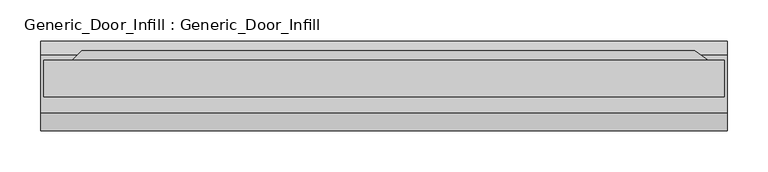
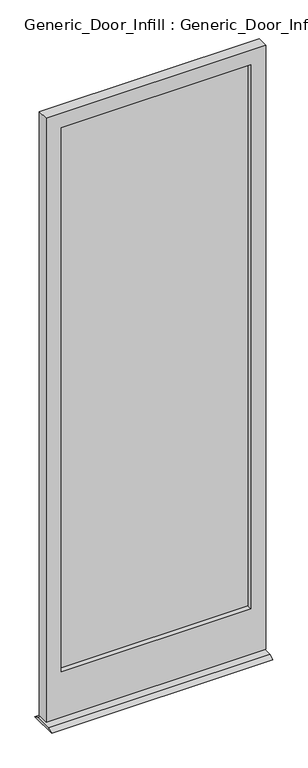
"""IFC4 building model written with IfcOpenShell, lengths in millimetres: plate geometry, Generic_Door_Infill : Generic_Door_Infill."""

import ifcopenshell
import ifcopenshell.guid

model = None  # the IFC model being written
_history = None  # IfcOwnerHistory: only IFC2X3 demands one
_inside = {}  # id of a spatial element -> (the spatial element, [elements in it])
_under = {}  # id of a project, library or spatial element -> (it, [spatial elements below it])
_declared = {}  # id of a project -> (the project, [libraries it declares])
_typed = {}  # id of a type object -> (the type object, [elements of that type])
_made_of = {}  # id of a material, layer set ... -> (it, [elements and type objects made of it])


def new_model(schema):
    """Start an empty IFC model of exactly this schema.

    Asked for "IFC4X3", IfcOpenShell would pick the latest addendum, in which some entities
    have other attributes; the version numbers below select the first issue.
    IFC2X3 requires an IfcOwnerHistory on every rooted entity: one is made here for all.
    """
    global model, _history
    if schema == "IFC4X3":
        model = ifcopenshell.file(schema_version=(4, 3, 0, 0))
    else:
        model = ifcopenshell.file(schema=schema)
    _inside.clear()
    _under.clear()
    _declared.clear()
    _typed.clear()
    _made_of.clear()
    _history = None
    if model.schema == "IFC2X3":
        org = make("IfcOrganization", Name="unknown")
        user = make(
            "IfcPersonAndOrganization",
            ThePerson=make("IfcPerson", FamilyName="unknown"),
            TheOrganization=org,
        )
        app = make(
            "IfcApplication",
            ApplicationDeveloper=org,
            Version="unknown",
            ApplicationFullName="unknown",
            ApplicationIdentifier="unknown",
        )
        _history = make(
            "IfcOwnerHistory",
            OwningUser=user,
            OwningApplication=app,
            ChangeAction="ADDED",
            CreationDate=0,
        )
    return model


def make(cls, **values):
    """One entity of the class cls with the attributes given. An attribute that is None is left unset."""
    return model.create_entity(
        cls, **{name: value for name, value in values.items() if value is not None}
    )


def rooted(cls, **values):
    """An entity with a GlobalId (a new one), such as an element, a storey or a relation."""
    return make(cls, GlobalId=ifcopenshell.guid.new(), OwnerHistory=_history, **values)


def si_unit(unit_type, name, prefix=None):
    """IfcSIUnit, for example si_unit("LENGTHUNIT", "METRE", prefix="MILLI")."""
    return make("IfcSIUnit", UnitType=unit_type, Prefix=prefix, Name=name)


def assignment(units):
    """IfcUnitAssignment: the units of a project."""
    return None if units is None else make("IfcUnitAssignment", Units=units)


def point(xyz):
    """IfcCartesianPoint."""
    return None if xyz is None else make("IfcCartesianPoint", Coordinates=xyz)


def direction(xyz):
    """IfcDirection."""
    return None if xyz is None else make("IfcDirection", DirectionRatios=xyz)


def frame(location, z_axis=None, x_axis=None):
    """IfcAxis2Placement3D, a coordinate frame: its origin and axes. An axis left out is left unset."""
    return make(
        "IfcAxis2Placement3D",
        Location=point(location),
        Axis=direction(z_axis),
        RefDirection=direction(x_axis),
    )


def origin():
    """The frame at (0, 0, 0) with its axes left unset."""
    return frame((0.0, 0.0, 0.0))


def place(relative_to, where):
    """IfcLocalPlacement: puts the frame where relative to a parent placement (None: the world)."""
    return make(
        "IfcLocalPlacement", PlacementRelTo=relative_to, RelativePlacement=where
    )


def context(
    kind, dimensions, precision=None, world=None, true_north=None, identifier=None
):
    """IfcGeometricRepresentationContext, for example the 3D "Model" context."""
    return make(
        "IfcGeometricRepresentationContext",
        ContextIdentifier=identifier,
        ContextType=kind,
        CoordinateSpaceDimension=dimensions,
        Precision=precision,
        WorldCoordinateSystem=world,
        TrueNorth=true_north,
    )


def project(units=None, contexts=None):
    """IfcProject with its units and contexts."""
    return rooted(
        "IfcProject",
        Name="project",
        RepresentationContexts=contexts,
        UnitsInContext=assignment(units),
    )


def spatial(cls, under=None, at=None, **own):
    """A site, building, storey or space (cls), placed at a placement, below another one or the project."""
    s = rooted(cls, ObjectPlacement=at, **own)
    if under is not None:
        _under.setdefault(under.id(), (under, []))[1].append(s)
    return s


def polyline(points):
    """IfcPolyline through the points."""
    return make("IfcPolyline", Points=[point(p) for p in points])


def outline(outer, holes=None, kind="AREA"):
    """IfcArbitraryClosedProfileDef: a profile drawn as a closed curve; with holes, ...WithVoids."""
    if holes is None:
        return make("IfcArbitraryClosedProfileDef", ProfileType=kind, OuterCurve=outer)
    return make(
        "IfcArbitraryProfileDefWithVoids",
        ProfileType=kind,
        OuterCurve=outer,
        InnerCurves=holes,
    )


def extrude(swept, where, along, depth):
    """IfcExtrudedAreaSolid: the profile swept, set in the frame where, extruded along a direction by depth."""
    return make(
        "IfcExtrudedAreaSolid",
        SweptArea=swept,
        Position=where,
        ExtrudedDirection=direction(along),
        Depth=depth,
    )


def shape(context_of_items, identifier, shape_type, items):
    """IfcShapeRepresentation: the items that make up one representation, for example the "Body"."""
    return make(
        "IfcShapeRepresentation",
        ContextOfItems=context_of_items,
        RepresentationIdentifier=identifier,
        RepresentationType=shape_type,
        Items=items,
    )


def source(mapping_origin, context_of_items, identifier, shape_type, items):
    """IfcRepresentationMap: a shape defined once, which mapped items show again and again."""
    return make(
        "IfcRepresentationMap",
        MappingOrigin=mapping_origin,
        MappedRepresentation=shape(context_of_items, identifier, shape_type, items),
    )


def transform(
    local_origin,
    x_axis=None,
    y_axis=None,
    z_axis=None,
    scale=None,
    scale2=None,
    scale3=None,
    uniform=True,
):
    """IfcCartesianTransformationOperator3D, or its non-uniform kind. x_axis, y_axis, z_axis: its Axis1, 2, 3."""
    if uniform:
        return make(
            "IfcCartesianTransformationOperator3D",
            Axis1=direction(x_axis),
            Axis2=direction(y_axis),
            LocalOrigin=point(local_origin),
            Scale=scale,
            Axis3=direction(z_axis),
        )
    return make(
        "IfcCartesianTransformationOperator3DnonUniform",
        Axis1=direction(x_axis),
        Axis2=direction(y_axis),
        LocalOrigin=point(local_origin),
        Scale=scale,
        Axis3=direction(z_axis),
        Scale2=scale2,
        Scale3=scale3,
    )


def mapped(mapping_source, mapping_target):
    """IfcMappedItem: shows the shape of a source again, moved by a transform."""
    return make(
        "IfcMappedItem", MappingSource=mapping_source, MappingTarget=mapping_target
    )


def made_of(thing, what):
    """Note that an element or type object is made of a material, layer set ...; save() writes the relation."""
    if what is not None:
        _made_of.setdefault(what.id(), (what, []))[1].append(thing)
    return thing


def element(
    cls,
    number,
    at=None,
    inside=None,
    cuts=None,
    type_object=None,
    material=None,
    context=None,
    identifier="Body",
    shape_type=None,
    held_by="IfcProductDefinitionShape",
    body=None,
    shapes=None,
    **own,
):
    """One element of the class cls, such as IfcWall. Its Tag is "e" and its number.

    at: its placement. inside: the storey or other place that contains it. cuts: it is an
    opening in that element (IfcRelVoidsElement). A single representation is given by context,
    identifier, shape_type and body (its items); several are given by shapes. held_by: the class
    of the entity that holds the representations. save() writes the other relations.
    """
    e = rooted(cls, Tag="e%d" % number, ObjectPlacement=at, **own)
    if body is not None:
        shapes = [shape(context, identifier, shape_type, body)]
    if shapes is not None:
        e.Representation = make(held_by, Representations=shapes)
    if inside is not None:
        _inside.setdefault(inside.id(), (inside, []))[1].append(e)
    if cuts is not None:
        rooted(
            "IfcRelVoidsElement", RelatingBuildingElement=cuts, RelatedOpeningElement=e
        )
    if type_object is not None:
        _typed.setdefault(type_object.id(), (type_object, []))[1].append(e)
    return made_of(e, material)


def aggregate(whole, parts):
    """IfcRelAggregates: a whole, such as a stair, and the parts it consists of."""
    return rooted("IfcRelAggregates", RelatingObject=whole, RelatedObjects=parts)


def save(model, path):
    """Write the relations noted so far, then the file.

    IfcRelAggregates (storeys below a building ...), IfcRelContainedInSpatialStructure (elements
    in a storey), IfcRelDefinesByType, IfcRelAssociatesMaterial and IfcRelDeclares: one each for
    every whole, place, type object, material and project.
    """
    for whole, parts in _under.values():
        aggregate(whole, parts)
    for where, things in _inside.values():
        rooted(
            "IfcRelContainedInSpatialStructure",
            RelatedElements=things,
            RelatingStructure=where,
        )
    for kind, things in _typed.values():
        rooted("IfcRelDefinesByType", RelatedObjects=things, RelatingType=kind)
    for what, things in _made_of.values():
        rooted("IfcRelAssociatesMaterial", RelatedObjects=things, RelatingMaterial=what)
    for by, libraries in _declared.values():
        rooted("IfcRelDeclares", RelatingContext=by, RelatedDefinitions=libraries)
    model.write(path)


def generic_door_infill_generic_door_infill_1e31fe96(model_context):
    return source(origin(), model_context, "Body", "SweptSolid", [
        extrude(outline(polyline([(-369.3894878, 35.8230014), (379.8567123, 35.8230014), (405.5069821, 17.8624892), (-387.35, 17.8624892), (-369.3894878, 35.8230014)])), frame((0.0, 0.0, 1090.3849987), z_axis=(0.0, 0.0, 1.0), x_axis=(1.0, 0.0, 0.0)), (0.0, 0.0, 1.0), 78.0150013),
        extrude(outline(polyline([(-358.775, -1.1875108), (-358.775, 5.1624892), (358.775, 5.1624892), (358.775, -1.1875108), (-358.775, -1.1875108)])), frame((0.0, 0.0, 200.025), z_axis=(0.0, 0.0, 1.0), x_axis=(1.0, 0.0, 0.0)), (0.0, 0.0, 1.0), 2177.83476),
        extrude(outline(polyline([(2435.00976, 415.925), (2435.00976, -415.925), (17.4625, -415.925), (17.4625, 415.925), (2435.00976, 415.925)]), holes=[polyline([(2377.85976, 358.775), (200.025, 358.775), (200.025, -358.775), (2377.85976, -358.775), (2377.85976, 358.775)])]), frame((0.0, -20.2375108, 0.0), z_axis=(0.0, 1.0, 0.0), x_axis=(0.0, 0.0, 1.0)), (0.0, 0.0, 1.0), 44.45),
        extrude(outline(polyline([(30.5624892, 8.0508779), (47.8276525, 0.0), (-61.407116, 0.0), (-39.2875108, 8.0508779), (30.5624892, 8.0508779)])), frame((-419.1, 0.0, 0.0), z_axis=(1.0, 0.0, 0.0), x_axis=(0.0, 1.0, 0.0)), (0.0, 0.0, 1.0), 838.2),
    ])


if __name__ == "__main__":
    model = new_model("IFC4")
    model_context = context("Model", 3, world=origin())
    ifc_project = project(units=[si_unit("LENGTHUNIT", "METRE", prefix="MILLI")], contexts=[model_context])
    site = spatial("IfcSite", under=ifc_project)
    building = spatial("IfcBuilding", under=site)
    placement = place(None, origin())
    generic_door_infill_generic_door_infill_shape = generic_door_infill_generic_door_infill_1e31fe96(model_context)
    element("IfcPlate", 1, ObjectType="Generic_Door_Infill : Generic_Door_Infill", at=placement, inside=building, context=model_context, shape_type="MappedRepresentation", body=[
        mapped(generic_door_infill_generic_door_infill_shape, transform((0.0, 0.0, 0.0), x_axis=(1.0, 0.0, 0.0), y_axis=(0.0, 1.0, 0.0), z_axis=(0.0, 0.0, 1.0))),
    ])
    save(model, "model.ifc")
